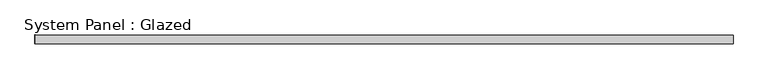
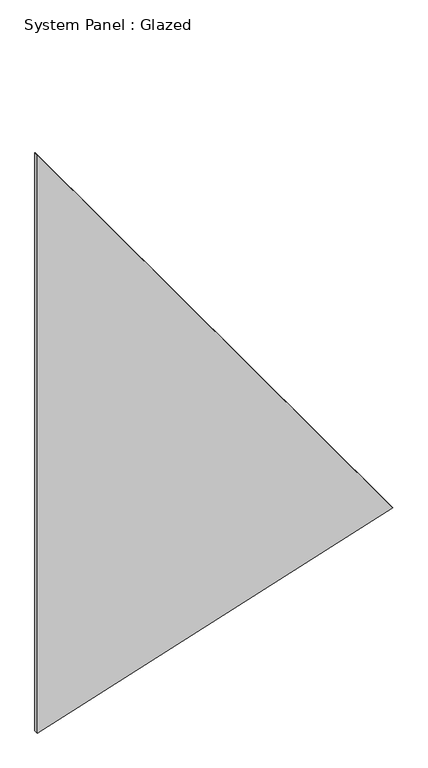
"""IFC4 building model written with IfcOpenShell, lengths in millimetres: plate geometry, System Panel : Glazed."""

from ifc_helpers import new_model, si_unit, frame, origin, place, context, project, spatial, polyline, outline, extrude, source, transform, mapped, element, save


def system_panel_glazed_70075f57(model_context):
    return source(origin(), model_context, "Body", "SweptSolid", [
        extrude(outline(polyline([(0.0, -1000.275544), (641.1943696, 1000.2956997), (3439.5285811, -998.8007978), (3439.0494566, -1000.2956997), (0.0, -1000.275544)])), frame((0.0, -49.5, 0.0), z_axis=(0.0, 1.0, 0.0), x_axis=(0.0, 0.0, 1.0)), (0.0, 0.0, 1.0), 25.0),
    ])


if __name__ == "__main__":
    model = new_model("IFC4")
    model_context = context("Model", 3, world=origin())
    ifc_project = project(units=[si_unit("LENGTHUNIT", "METRE", prefix="MILLI")], contexts=[model_context])
    site = spatial("IfcSite", under=ifc_project)
    building = spatial("IfcBuilding", under=site)
    placement = place(None, origin())
    system_panel_glazed_shape = system_panel_glazed_70075f57(model_context)
    element("IfcPlate", 1, ObjectType="System Panel : Glazed", at=placement, inside=building, context=model_context, shape_type="MappedRepresentation", body=[
        mapped(system_panel_glazed_shape, transform((0.0, 0.0, 0.0), x_axis=(1.0, 0.0, 0.0), y_axis=(0.0, 1.0, 0.0), z_axis=(0.0, 0.0, 1.0))),
    ])
    save(model, "model.ifc")
